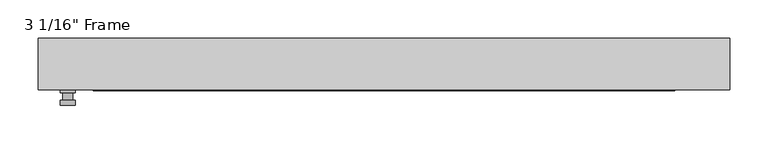
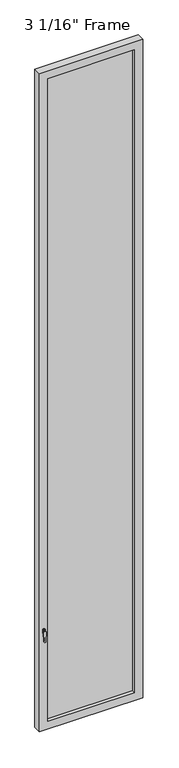
"""IFC4 building model written with IfcOpenShell, lengths in millimetres: plate geometry."""

from ifc_helpers import new_model, si_unit, frame, origin, place, context, project, spatial, polyline, circle_curve, outline, extrude, faceted_brep, source, transform, mapped, element, save
from ifc_brep_helpers import plane_surface, cylinder_surface, advanced_brep


def plate_4829a97c(model_context):
    return source(origin(), model_context, "Body", "SolidModel", [
        advanced_brep(
        [(-401.6375, -33.3375, 927.1), (-401.6375, -33.3375, 901.7), (-420.6875, -33.3375, 901.7), (-420.6875, -33.3375, 927.1), (-404.8125, -46.0375, 914.4), (-417.5125, -46.0375, 914.4), (-417.5125, -36.5125, 914.4), (-404.8125, -36.5125, 914.4), (-401.6375, -46.0375, 914.4), (-404.8165356, -46.0375, 825.2736467), (-417.5084644, -46.0375, 825.2736467), (-420.6875, -46.0375, 914.4), (-401.6375, -52.3875, 914.4), (-420.6875, -52.3875, 914.4), (-417.5084644, -52.3875, 825.2736467), (-404.8165356, -52.3875, 825.2736467), (-401.6375, -36.5125, 927.1), (-420.6875, -36.5125, 927.1), (-420.6875, -36.5125, 901.7), (-401.6375, -36.5125, 901.7)],
        [
            (0, 1),
            (1, 2, circle_curve(frame((-411.1625, -33.3375, 901.7), z_axis=(0.0, 1.0, 0.0), x_axis=(-1.0, 0.0, 0.0)), 9.525)),
            (2, 3),
            (3, 0, circle_curve(frame((-411.1625, -33.3375, 927.1), z_axis=(0.0, 1.0, 0.0), x_axis=(-1.0, 0.0, 0.0)), 9.525)),
            (4, 5, circle_curve(frame((-411.1625, -46.0375, 914.4), z_axis=(0.0, 1.0, 0.0), x_axis=(-1.0, 0.0, 0.0)), 6.35)),
            (5, 6),
            (6, 7, circle_curve(frame((-411.1625, -36.5125, 914.4), z_axis=(0.0, -1.0, 0.0), x_axis=(-1.0, 0.0, 0.0)), 6.35)),
            (7, 4),
            (5, 4, circle_curve(frame((-411.1625, -46.0375, 914.4), z_axis=(0.0, 1.0, 0.0), x_axis=(-1.0, 0.0, 0.0)), 6.35)),
            (7, 6, circle_curve(frame((-411.1625, -36.5125, 914.4), z_axis=(0.0, -1.0, 0.0), x_axis=(-1.0, 0.0, 0.0)), 6.35)),
            (8, 9),
            (9, 10, circle_curve(frame((-411.1625, -46.0375, 825.5), z_axis=(0.0, 1.0, 0.0), x_axis=(-1.0, 0.0, 0.0)), 6.35)),
            (10, 11),
            (11, 8, circle_curve(frame((-411.1625, -46.0375, 914.4), z_axis=(0.0, 1.0, 0.0), x_axis=(-1.0, 0.0, 0.0)), 9.525)),
            (12, 13, circle_curve(frame((-411.1625, -52.3875, 914.4), z_axis=(0.0, -1.0, 0.0), x_axis=(-1.0, 0.0, 0.0)), 9.525)),
            (13, 14),
            (14, 15, circle_curve(frame((-411.1625, -52.3875, 825.5), z_axis=(0.0, -1.0, 0.0), x_axis=(-1.0, 0.0, 0.0)), 6.35)),
            (15, 12),
            (8, 12),
            (15, 9),
            (14, 10),
            (13, 11),
            (16, 17, circle_curve(frame((-411.1625, -36.5125, 927.1), z_axis=(0.0, -1.0, 0.0), x_axis=(-1.0, 0.0, 0.0)), 9.525)),
            (17, 18),
            (18, 19, circle_curve(frame((-411.1625, -36.5125, 901.7), z_axis=(0.0, -1.0, 0.0), x_axis=(-1.0, 0.0, 0.0)), 9.525)),
            (19, 16),
            (0, 16),
            (19, 1),
            (18, 2),
            (17, 3),
        ],
        [
            plane_surface(frame((-417.5125, -33.3375, 914.4), z_axis=(0.0, 1.0, 0.0), x_axis=(0.0, 0.0, 1.0))),
            cylinder_surface(frame((-411.1625, -46.0375, 914.4), z_axis=(0.0, 1.0, 0.0), x_axis=(-1.0, 0.0, 0.0)), 6.35),
            plane_surface(frame((-401.6375, -46.0375, 914.4), z_axis=(0.0, 1.0000000000000002, 0.0), x_axis=(-0.03564619348186888, 0.0, -0.9993644724975235))),
            plane_surface(frame((-401.6375, -52.3875, 914.4), z_axis=(0.0, -1.0000000000000002, 0.0), x_axis=(0.03564619348186888, 0.0, 0.9993644724975235))),
            plane_surface(frame((-401.6375, -46.0375, 914.4), z_axis=(0.9993644724975235, 0.0, -0.03564619348186888), x_axis=(0.0, -1.0, 0.0))),
            cylinder_surface(frame((-411.1625, -52.3875, 825.5), z_axis=(0.0, 1.0, 0.0), x_axis=(-1.0, 0.0, 0.0)), 6.35),
            plane_surface(frame((-417.5084644, -46.0375, 825.2736467), z_axis=(-0.9993644724975228, 0.0, -0.03564619348188612), x_axis=(0.0, -1.0, 0.0))),
            cylinder_surface(frame((-411.1625, -52.3875, 914.4), z_axis=(0.0, 1.0, 0.0), x_axis=(-1.0, 0.0, 0.0)), 9.525),
            plane_surface(frame((-401.6375, -36.5125, 901.7), z_axis=(0.0, -1.0, 0.0), x_axis=(0.0, 0.0, 1.0))),
            plane_surface(frame((-401.6375, -33.3375, 927.1), z_axis=(1.0, 0.0, 0.0), x_axis=(0.0, -1.0, 0.0))),
            cylinder_surface(frame((-411.1625, -36.5125, 901.7), z_axis=(0.0, 1.0, 0.0), x_axis=(-1.0, 0.0, 0.0)), 9.525),
            plane_surface(frame((-420.6875, -33.3375, 901.7), z_axis=(-1.0, 0.0, 0.0), x_axis=(0.0, -1.0, 0.0))),
            cylinder_surface(frame((-411.1625, -36.5125, 927.1), z_axis=(0.0, 1.0, 0.0), x_axis=(-1.0, 0.0, 0.0)), 9.525),
        ],
        [
            (0, [[1, 2, 3, 4]]),
            (1, [[5, 6, 7, 8]]),
            (1, [[9, -8, 10, -6]]),
            (2, [[11, 12, 13, 14], [-5, -9]]),
            (3, [[15, 16, 17, 18]]),
            (4, [[-11, 19, -18, 20]]),
            (5, [[-12, -20, -17, 21]]),
            (6, [[-13, -21, -16, 22]]),
            (7, [[-14, -22, -15, -19]]),
            (8, [[23, 24, 25, 26], [-7, -10]]),
            (9, [[-1, 27, -26, 28]]),
            (10, [[-2, -28, -25, 29]]),
            (11, [[-3, -29, -24, 30]]),
            (12, [[-4, -30, -23, -27]]),
        ],
    ),
        faceted_brep([(-449.2625, -33.3375, 0.0), (-449.2625, 33.3375, 0.0), (449.2625, 33.3375, 0.0), (449.2625, -33.3375, 0.0), (449.2625, -33.3375, 6049.9625), (-449.2625, -33.3375, 6049.9625), (-377.825, -33.3375, 5978.525), (377.825, -33.3375, 5978.525), (377.825, -33.3375, 71.4375), (-377.825, -33.3375, 71.4375), (-449.2625, 33.3375, 6049.9625), (449.2625, 33.3375, 6049.9625), (-377.825, 33.3375, 5978.525), (-377.825, 33.3375, 71.4375), (377.825, 33.3375, 71.4375), (377.825, 33.3375, 5978.525), (-371.475, 11.90625, 5972.175), (-371.475, 11.90625, 77.7875), (384.175, 11.90625, 5984.875), (-384.175, 11.90625, 5984.875), (-384.175, 11.90625, 65.0875), (384.175, 11.90625, 65.0875), (371.475, 11.90625, 5972.175), (371.475, 11.90625, 77.7875), (-384.175, -11.90625, 5984.875), (-384.175, -11.90625, 65.0875), (384.175, -11.90625, 5984.875), (384.175, -11.90625, 65.0875), (-371.475, -11.90625, 5972.175), (-371.475, -11.90625, 77.7875), (371.475, -11.90625, 77.7875), (371.475, -11.90625, 5972.175)], [[[0, 1, 2, 3]], [[0, 3, 4, 5], [6, 7, 8, 9]], [[1, 0, 5, 10]], [[2, 1, 10, 11], [12, 13, 14, 15]], [[12, 16, 17, 13]], [[18, 19, 20, 21], [16, 22, 23, 17]], [[20, 19, 24, 25]], [[24, 26, 27, 25], [28, 29, 30, 31]], [[28, 6, 9, 29]], [[5, 4, 11, 10]], [[12, 15, 22, 16]], [[19, 18, 26, 24]], [[7, 6, 28, 31]], [[4, 3, 2, 11]], [[22, 15, 14, 23]], [[27, 26, 18, 21]], [[7, 31, 30, 8]], [[9, 8, 30, 29]], [[21, 20, 25, 27]], [[17, 23, 14, 13]]]),
        extrude(outline(polyline([(384.175, -11.90625), (-384.175, -11.90625), (-384.175, 11.90625), (384.175, 11.90625), (384.175, -11.90625)])), frame((0.0, 0.0, 65.0875), z_axis=(0.0, 0.0, 1.0), x_axis=(1.0, 0.0, 0.0)), (0.0, 0.0, 1.0), 5919.7875),
    ])


if __name__ == "__main__":
    model = new_model("IFC4")
    model_context = context("Model", 3, world=origin())
    ifc_project = project(units=[si_unit("LENGTHUNIT", "METRE", prefix="MILLI")], contexts=[model_context])
    site = spatial("IfcSite", under=ifc_project)
    building = spatial("IfcBuilding", under=site)
    placement = place(None, origin())
    plate_shape = plate_4829a97c(model_context)
    element("IfcPlate", 1, ObjectType="3 1/16\" Frame", at=placement, inside=building, context=model_context, shape_type="MappedRepresentation", body=[
        mapped(plate_shape, transform((0.0, 0.0, 0.0), x_axis=(1.0, 0.0, 0.0), y_axis=(0.0, 1.0, 0.0), z_axis=(0.0, 0.0, 1.0))),
    ])
    save(model, "model.ifc")
